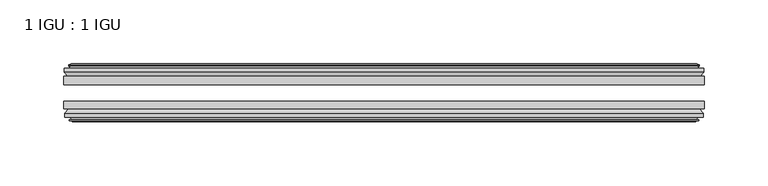
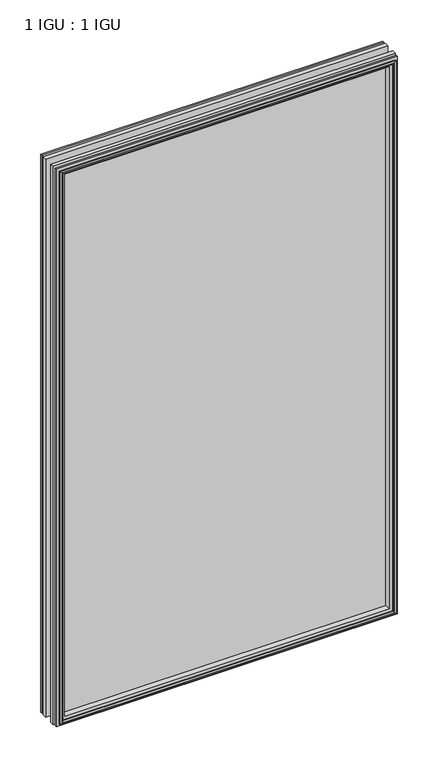
"""IFC4 building model written with IfcOpenShell, lengths in millimetres: plate geometry, 1 IGU : 1 IGU."""

from ifc_helpers import new_model, si_unit, frame, origin, place, context, project, spatial, polyline, outline, extrude, faceted_brep, source, transform, mapped, element, save


def plate_1_igu_1_igu_6b88a7dd(model_context):
    return source(origin(), model_context, "Body", "SolidModel", [
        extrude(outline(polyline([(250.2044134, -25.8960937), (250.2044134, -32.2460938), (-250.2044134, -32.2460938), (-250.2044134, -25.8960937), (250.2044134, -25.8960937)])), frame((0.0, 0.0, -12.7), z_axis=(0.0, 0.0, 1.0), x_axis=(1.0, 0.0, 0.0)), (0.0, 0.0, 1.0), 863.6),
        extrude(outline(polyline([(-250.2044134, -51.2960938), (-250.2044134, -45.2686737), (250.2044134, -45.2686737), (250.2044134, -51.2960938), (-250.2044134, -51.2960938)])), frame((0.0, 0.0, -12.7), z_axis=(0.0, 0.0, 1.0), x_axis=(1.0, 0.0, 0.0)), (0.0, 0.0, 1.0), 863.6),
        faceted_brep([(-244.6164134, -60.0262907, 845.312), (-244.9974134, -57.6460937, 845.693), (-244.9974134, -57.6460937, -7.493), (-244.6164134, -60.0262907, -7.112), (-246.0319424, -59.5663575, 846.7275291), (-246.0319424, -59.5663575, -8.5275291), (-246.0319424, -60.3675717, 846.7275291), (-246.0319424, -60.3675717, -8.5275291), (-243.8544134, -61.0750937, 844.55), (-243.8544134, -61.0750937, -6.35), (-241.6768843, -60.3675717, 842.3724709), (-241.6768843, -60.3675717, -4.1724709), (-241.6768843, -59.5663575, 842.3724709), (-241.6768843, -59.5663575, -4.1724709), (-243.0924134, -60.0262907, 843.788), (-243.0924134, -60.0262907, -5.588), (-242.7114134, -57.6460937, 843.407), (-242.7114134, -57.6460937, -5.207), (-235.7866953, -51.2960937, 836.4822819), (-237.5044134, -57.6460937, 838.2), (-237.5044134, -57.6460937, 0.0), (-235.7866953, -51.2960937, 1.7177181), (-249.4424134, -54.6996937, 850.138), (-246.6080712, -51.2960937, 847.3036578), (-246.6080712, -51.2960937, -9.1036578), (-249.4424134, -54.6996937, -11.938), (-249.4424134, -57.6460937, 850.138), (-249.4424134, -57.6460937, -11.938), (244.9974134, -57.6460938, -7.493), (244.6164134, -60.0262907, -7.112), (246.0319424, -59.5663575, -8.5275291), (246.0319424, -60.3675717, -8.5275291), (243.8544134, -61.0750937, -6.35), (241.6768843, -60.3675717, -4.1724709), (241.6768843, -59.5663575, -4.1724709), (243.0924134, -60.0262907, -5.588), (242.7114134, -57.6460937, -5.207), (237.5044134, -57.6460937, 0.0), (235.7866953, -51.2960937, 1.7177181), (246.6080712, -51.2960937, -9.1036578), (249.4424134, -54.6996937, -11.938), (249.4424134, -57.6460938, -11.938), (244.9974134, -57.6460938, 845.693), (244.6164134, -60.0262907, 845.312), (246.0319424, -59.5663575, 846.7275291), (246.0319424, -60.3675717, 846.7275291), (243.8544134, -61.0750937, 844.55), (241.6768843, -60.3675717, 842.3724709), (241.6768843, -59.5663575, 842.3724709), (243.0924134, -60.0262907, 843.788), (242.7114134, -57.6460937, 843.407), (237.5044134, -57.6460937, 838.2), (235.7866953, -51.2960937, 836.4822819), (246.6080712, -51.2960937, 847.3036578), (249.4424134, -54.6996937, 850.138), (249.4424134, -57.6460938, 850.138)], [[[0, 1, 2, 3]], [[4, 0, 3, 5]], [[6, 4, 5, 7]], [[8, 6, 7, 9]], [[10, 8, 9, 11]], [[12, 10, 11, 13]], [[14, 12, 13, 15]], [[16, 14, 15, 17]], [[18, 19, 20, 21]], [[22, 23, 24, 25]], [[26, 22, 25, 27]], [[3, 2, 28, 29]], [[5, 3, 29, 30]], [[7, 5, 30, 31]], [[9, 7, 31, 32]], [[11, 9, 32, 33]], [[13, 11, 33, 34]], [[15, 13, 34, 35]], [[17, 15, 35, 36]], [[21, 20, 37, 38]], [[25, 24, 39, 40]], [[27, 25, 40, 41]], [[29, 28, 42, 43]], [[30, 29, 43, 44]], [[31, 30, 44, 45]], [[32, 31, 45, 46]], [[33, 32, 46, 47]], [[34, 33, 47, 48]], [[35, 34, 48, 49]], [[36, 35, 49, 50]], [[38, 37, 51, 52]], [[40, 39, 53, 54]], [[41, 40, 54, 55]], [[27, 41, 55, 26], [1, 42, 28, 2]], [[43, 42, 1, 0]], [[44, 43, 0, 4]], [[45, 44, 4, 6]], [[46, 45, 6, 8]], [[47, 46, 8, 10]], [[48, 47, 10, 12]], [[49, 48, 12, 14]], [[50, 49, 14, 16]], [[17, 36, 50, 16], [19, 51, 37, 20]], [[52, 51, 19, 18]], [[23, 53, 39, 24], [21, 38, 52, 18]], [[54, 53, 23, 22]], [[55, 54, 22, 26]]]),
        faceted_brep([(-247.1287712, -25.8960937, 847.8243578), (-249.9631134, -22.4924937, 850.6587), (-249.9631134, -22.4924937, -12.4587), (-247.1287712, -25.8960937, -9.6243578), (-238.0251134, -19.5460937, 838.7207), (-236.3073953, -25.8960937, 837.0029819), (-236.3073953, -25.8960937, 1.1970181), (-238.0251134, -19.5460937, -0.5207), (-243.6131134, -17.1658968, 844.3087), (-243.2321134, -19.5460937, 843.9277), (-243.2321134, -19.5460937, -5.7277), (-243.6131134, -17.1658968, -6.1087), (-242.1975843, -17.62583, 842.8931709), (-242.1975843, -17.62583, -4.6931709), (-242.1975843, -16.8246158, 842.8931709), (-242.1975843, -16.8246158, -4.6931709), (-244.3751134, -16.1170937, 845.0707), (-244.3751134, -16.1170937, -6.8707), (-246.5526424, -16.8246158, 847.2482291), (-246.5526424, -16.8246158, -9.0482291), (-246.5526424, -17.62583, 847.2482291), (-246.5526424, -17.62583, -9.0482291), (-245.1371134, -17.1658968, 845.8327), (-245.1371134, -17.1658968, -7.6327), (-245.5181134, -19.5460937, 846.2137), (-245.5181134, -19.5460937, -8.0137), (-249.9631134, -19.5460937, 850.6587), (-249.9631134, -19.5460937, -12.4587), (249.9631134, -22.4924937, -12.4587), (247.1287712, -25.8960937, -9.6243578), (236.3073953, -25.8960937, 1.1970181), (238.0251134, -19.5460937, -0.5207), (243.2321134, -19.5460937, -5.7277), (243.6131134, -17.1658968, -6.1087), (242.1975843, -17.62583, -4.6931709), (242.1975843, -16.8246158, -4.6931709), (244.3751134, -16.1170937, -6.8707), (246.5526424, -16.8246158, -9.0482291), (246.5526424, -17.62583, -9.0482291), (245.1371134, -17.1658968, -7.6327), (245.5181134, -19.5460937, -8.0137), (249.9631134, -19.5460937, -12.4587), (249.9631134, -22.4924937, 850.6587), (247.1287712, -25.8960937, 847.8243578), (236.3073953, -25.8960937, 837.0029819), (238.0251134, -19.5460937, 838.7207), (243.2321134, -19.5460937, 843.9277), (243.6131134, -17.1658968, 844.3087), (242.1975843, -17.62583, 842.8931709), (242.1975843, -16.8246158, 842.8931709), (244.3751134, -16.1170937, 845.0707), (246.5526424, -16.8246158, 847.2482291), (246.5526424, -17.62583, 847.2482291), (245.1371134, -17.1658968, 845.8327), (245.5181134, -19.5460937, 846.2137), (249.9631134, -19.5460937, 850.6587)], [[[0, 1, 2, 3]], [[4, 5, 6, 7]], [[8, 9, 10, 11]], [[12, 8, 11, 13]], [[14, 12, 13, 15]], [[16, 14, 15, 17]], [[18, 16, 17, 19]], [[20, 18, 19, 21]], [[22, 20, 21, 23]], [[24, 22, 23, 25]], [[1, 26, 27, 2]], [[3, 2, 28, 29]], [[7, 6, 30, 31]], [[11, 10, 32, 33]], [[13, 11, 33, 34]], [[15, 13, 34, 35]], [[17, 15, 35, 36]], [[19, 17, 36, 37]], [[21, 19, 37, 38]], [[23, 21, 38, 39]], [[25, 23, 39, 40]], [[2, 27, 41, 28]], [[29, 28, 42, 43]], [[31, 30, 44, 45]], [[33, 32, 46, 47]], [[34, 33, 47, 48]], [[35, 34, 48, 49]], [[36, 35, 49, 50]], [[37, 36, 50, 51]], [[38, 37, 51, 52]], [[39, 38, 52, 53]], [[40, 39, 53, 54]], [[28, 41, 55, 42]], [[43, 42, 1, 0]], [[3, 29, 43, 0], [5, 44, 30, 6]], [[45, 44, 5, 4]], [[9, 46, 32, 10], [7, 31, 45, 4]], [[47, 46, 9, 8]], [[48, 47, 8, 12]], [[49, 48, 12, 14]], [[50, 49, 14, 16]], [[51, 50, 16, 18]], [[52, 51, 18, 20]], [[53, 52, 20, 22]], [[54, 53, 22, 24]], [[26, 55, 41, 27], [25, 40, 54, 24]], [[42, 55, 26, 1]]]),
    ])


if __name__ == "__main__":
    model = new_model("IFC4")
    model_context = context("Model", 3, world=origin())
    ifc_project = project(units=[si_unit("LENGTHUNIT", "METRE", prefix="MILLI")], contexts=[model_context])
    site = spatial("IfcSite", under=ifc_project)
    building = spatial("IfcBuilding", under=site)
    placement = place(None, origin())
    plate_1_igu_1_igu_shape = plate_1_igu_1_igu_6b88a7dd(model_context)
    element("IfcPlate", 1, ObjectType="1 IGU : 1 IGU", at=placement, inside=building, context=model_context, shape_type="MappedRepresentation", body=[
        mapped(plate_1_igu_1_igu_shape, transform((0.0, 0.0, 0.0), x_axis=(1.0, 0.0, 0.0), y_axis=(0.0, 1.0, 0.0), z_axis=(0.0, 0.0, 1.0))),
    ])
    save(model, "model.ifc")
